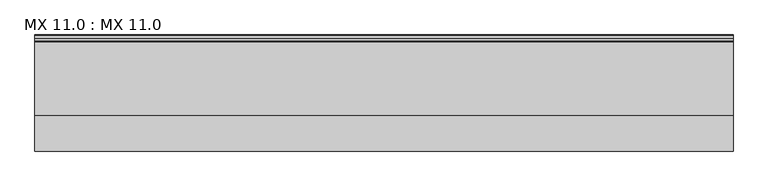
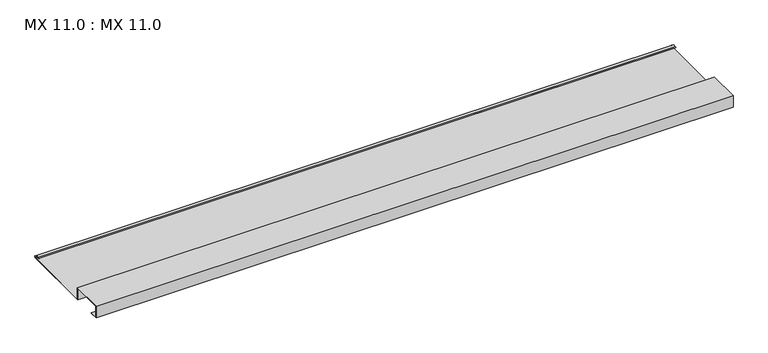
"""IFC4 building model written with IfcOpenShell, lengths in millimetres: proxy geometry, MX 11.0 : MX 11.0."""

from ifc_helpers import new_model, si_unit, point, frame, frame_2d, origin, place, context, project, spatial, polyline, circle_curve, trimmed, segment, composite_curve, outline, extrude, source, transform, mapped, element, save


def mx_11_0_mx_11_0_c676a6eb(model_context):
    return source(origin(), model_context, "Body", "SweptSolid", [
        extrude(outline(composite_curve([segment(polyline([(0.0, 0.0), (0.0, 38.0), (100.0, 38.0), (100.0, 0.0), (325.0510156, 0.0)]), True, "CONTINUOUS"), segment(trimmed(circle_curve(frame_2d((324.3094696, 1.9153551)), 2.0538928), [point((325.0510156, 0.0))], [point((325.1748462, 3.778041))], True, "CARTESIAN"), True, "CONTINUOUS"), segment(polyline([(325.1748462, 3.778041), (308.7874714, 6.923107)]), True, "CONTINUOUS"), segment(trimmed(circle_curve(frame_2d((309.4078886, 8.6005442)), 1.7884947), [point((308.7874714, 6.923107))], [point((308.9525789, 10.3301125))], False, "CARTESIAN"), True, "CONTINUOUS"), segment(polyline([(308.9525789, 10.3301125), (316.459338, 11.6715995), (316.635255, 10.6871945), (309.1762081, 9.3542338)]), True, "CONTINUOUS"), segment(trimmed(circle_curve(frame_2d((309.4078886, 8.6005442)), 0.7884947), [point((309.1762081, 9.3542338))], [point((309.0735117, 7.8864603))], True, "CARTESIAN"), True, "CONTINUOUS"), segment(polyline([(309.0735117, 7.8864603), (325.4722719, 4.7392091)]), True, "CONTINUOUS"), segment(trimmed(circle_curve(frame_2d((324.3094696, 1.9153551)), 3.0538928), [point((325.4722719, 4.7392091))], [point((325.2188462, -1.0))], False, "CARTESIAN"), True, "CONTINUOUS"), segment(polyline([(325.2188462, -1.0), (99.0, -1.0), (99.0, 37.0), (1.0, 37.0), (1.0, 1.0), (25.0, 1.0), (25.0, 0.0), (0.0, 0.0)]), True, "CONTINUOUS")], self_intersect=False)), frame((0.0, 0.0, 0.0), z_axis=(1.0, 0.0, 0.0), x_axis=(0.0, 1.0, 0.0)), (0.0, 0.0, 1.0), 1968.5604387),
    ])


if __name__ == "__main__":
    model = new_model("IFC4")
    model_context = context("Model", 3, world=origin())
    ifc_project = project(units=[si_unit("LENGTHUNIT", "METRE", prefix="MILLI")], contexts=[model_context])
    site = spatial("IfcSite", under=ifc_project)
    building = spatial("IfcBuilding", under=site)
    placement = place(None, origin())
    mx_11_0_mx_11_0_shape = mx_11_0_mx_11_0_c676a6eb(model_context)
    element("IfcBuildingElementProxy", 1, Name="MX 11.0 : MX 11.0", ObjectType="MX 11.0 : MX 11.0", at=placement, inside=building, context=model_context, shape_type="MappedRepresentation", body=[
        mapped(mx_11_0_mx_11_0_shape, transform((0.0, 0.0, 0.0), x_axis=(1.0, 0.0, 0.0), y_axis=(0.0, 1.0, 0.0), z_axis=(0.0, 0.0, 1.0))),
    ])
    save(model, "model.ifc")
